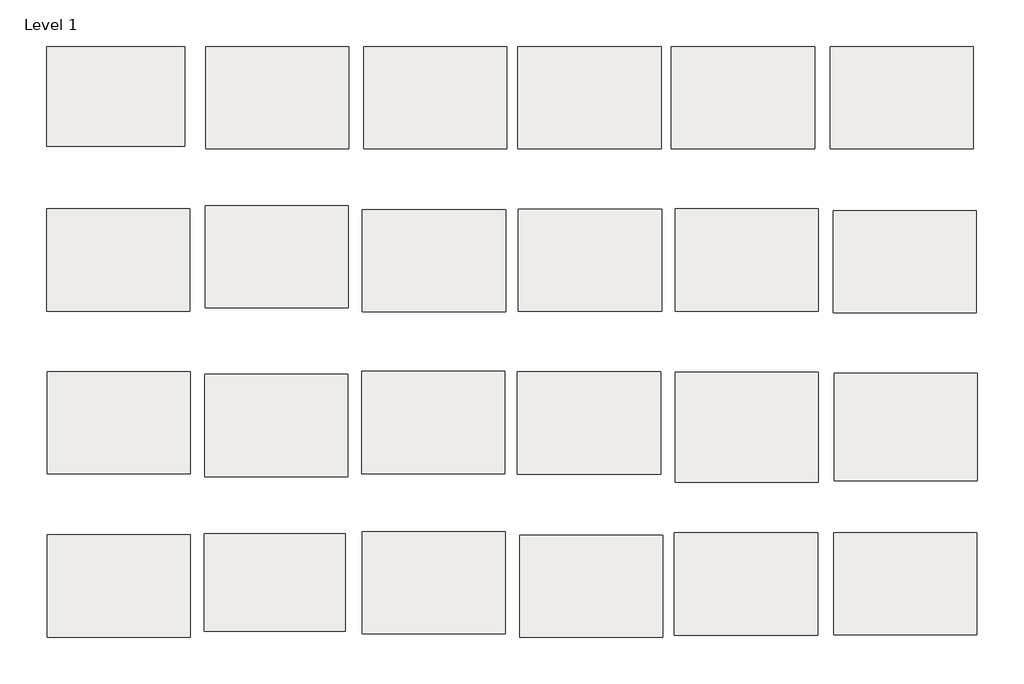
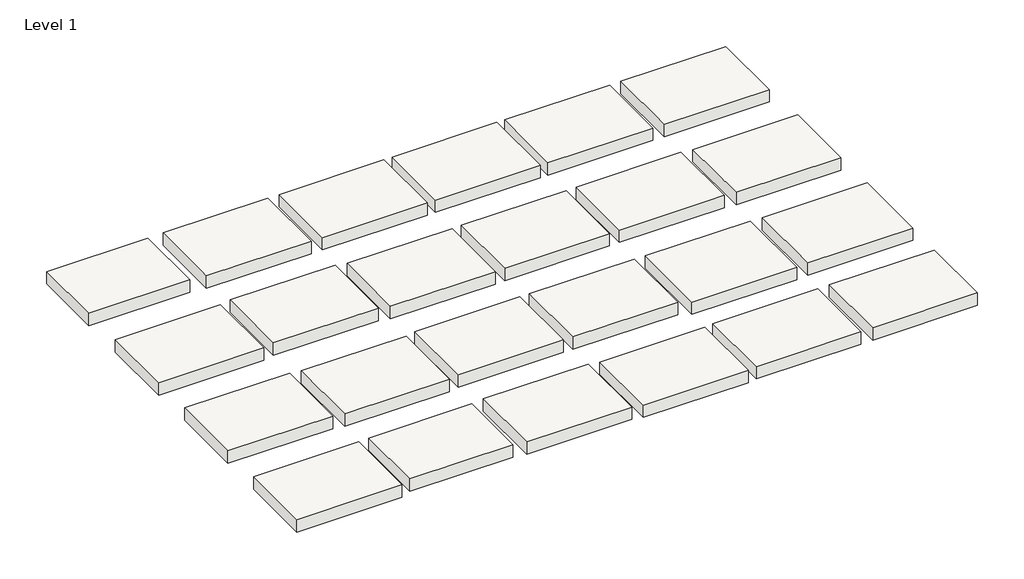
# One storey: 24 slabs.
"""IFC4 building model written with IfcOpenShell, lengths in millimetres."""

from ifc_helpers import new_model, si_unit, frame, origin, place, context, project, spatial, polyline, outline, extrude, element, save

model = new_model("IFC4")

# Units and contexts
model_context = context("Model", 3, world=origin())
ifc_project = project(units=[si_unit("LENGTHUNIT", "METRE", prefix="MILLI")], contexts=[model_context])

# Site, building, storey
site = spatial("IfcSite", under=ifc_project)
building = spatial("IfcBuilding", under=site)
storey = spatial("IfcBuildingStorey", under=building, Name="Level 1", Elevation=0.0)

# Slabs
placement = place(None, origin())
element("IfcSlab", 1, at=placement, inside=storey, context=model_context, shape_type="SweptSolid", body=[
    extrude(outline(polyline([(33544.8344165, 2259.6521044), (33544.8344165, 2005.6521044), (33189.2344165, 2005.6521044), (33189.2344165, 2259.6521044), (33544.8344165, 2259.6521044)])), frame((0.0, 0.0, -44.45), z_axis=(0.0, 0.0, 1.0), x_axis=(1.0, 0.0, 0.0)), (0.0, 0.0, 1.0), 44.45),
])
element("IfcSlab", 2, at=placement, inside=storey, context=model_context, shape_type="SweptSolid", body=[
    extrude(outline(polyline([(33937.752939, 2259.6521044), (33937.752939, 2005.6521044), (33582.152939, 2005.6521044), (33582.152939, 2259.6521044), (33937.752939, 2259.6521044)])), frame((0.0, 0.0, -44.45), z_axis=(0.0, 0.0, 1.0), x_axis=(1.0, 0.0, 0.0)), (0.0, 0.0, 1.0), 44.45),
])
element("IfcSlab", 3, at=placement, inside=storey, context=model_context, shape_type="SweptSolid", body=[
    extrude(outline(polyline([(34320.9601738, 2259.6521044), (34320.9601738, 2005.6521044), (33965.3601738, 2005.6521044), (33965.3601738, 2259.6521044), (34320.9601738, 2259.6521044)])), frame((0.0, 0.0, -44.45), z_axis=(0.0, 0.0, 1.0), x_axis=(1.0, 0.0, 0.0)), (0.0, 0.0, 1.0), 44.45),
])
element("IfcSlab", 4, at=placement, inside=storey, context=model_context, shape_type="SweptSolid", body=[
    extrude(outline(polyline([(33543.0410098, 1445.4001185), (33543.0410098, 1191.4001185), (33187.4410098, 1191.4001185), (33187.4410098, 1445.4001185), (33543.0410098, 1445.4001185)])), frame((0.0, 0.0, -44.45), z_axis=(0.0, 0.0, 1.0), x_axis=(1.0, 0.0, 0.0)), (0.0, 0.0, 1.0), 44.45),
])
element("IfcSlab", 5, at=placement, inside=storey, context=model_context, shape_type="SweptSolid", body=[
    extrude(outline(polyline([(33150.674326, 1856.3573037), (33150.674326, 1602.3573037), (32795.074326, 1602.3573037), (32795.074326, 1856.3573037), (33150.674326, 1856.3573037)])), frame((0.0, 0.0, -44.45), z_axis=(0.0, 0.0, 1.0), x_axis=(1.0, 0.0, 0.0)), (0.0, 0.0, 1.0), 44.45),
])
element("IfcSlab", 6, at=placement, inside=storey, context=model_context, shape_type="SweptSolid", body=[
    extrude(outline(polyline([(33934.7037753, 1854.589131), (33934.7037753, 1600.589131), (33579.1037753, 1600.589131), (33579.1037753, 1854.589131), (33934.7037753, 1854.589131)])), frame((0.0, 0.0, -44.45), z_axis=(0.0, 0.0, 1.0), x_axis=(1.0, 0.0, 0.0)), (0.0, 0.0, 1.0), 44.45),
])
element("IfcSlab", 7, at=placement, inside=storey, context=model_context, shape_type="SweptSolid", body=[
    extrude(outline(polyline([(34711.8748135, 1856.5951536), (34711.8748135, 1602.5951536), (34356.2748135, 1602.5951536), (34356.2748135, 1856.5951536), (34711.8748135, 1856.5951536)])), frame((0.0, 0.0, -44.45), z_axis=(0.0, 0.0, 1.0), x_axis=(1.0, 0.0, 0.0)), (0.0, 0.0, 1.0), 44.45),
])
element("IfcSlab", 8, at=placement, inside=storey, context=model_context, shape_type="SweptSolid", body=[
    extrude(outline(polyline([(33535.97862, 1048.7595451), (33535.97862, 807.4595451), (33186.72862, 807.4595451), (33186.72862, 1048.7595451), (33535.97862, 1048.7595451)])), frame((0.0, 0.0, -44.45), z_axis=(0.0, 0.0, 1.0), x_axis=(1.0, 0.0, 0.0)), (0.0, 0.0, 1.0), 44.45),
])
element("IfcSlab", 9, at=placement, inside=storey, context=model_context, shape_type="SweptSolid", body=[
    extrude(outline(polyline([(33934.4575872, 1054.50268), (33934.4575872, 800.50268), (33578.8575872, 800.50268), (33578.8575872, 1054.50268), (33934.4575872, 1054.50268)])), frame((0.0, 0.0, -44.45), z_axis=(0.0, 0.0, 1.0), x_axis=(1.0, 0.0, 0.0)), (0.0, 0.0, 1.0), 44.45),
])
element("IfcSlab", 10, at=placement, inside=storey, context=model_context, shape_type="SweptSolid", body=[
    extrude(outline(polyline([(34324.9740874, 1046.0871264), (34324.9740874, 792.0871264), (33969.3740874, 792.0871264), (33969.3740874, 1046.0871264), (34324.9740874, 1046.0871264)])), frame((0.0, 0.0, -44.45), z_axis=(0.0, 0.0, 1.0), x_axis=(1.0, 0.0, 0.0)), (0.0, 0.0, 1.0), 44.45),
])
element("IfcSlab", 11, at=placement, inside=storey, context=model_context, shape_type="SweptSolid", body=[
    extrude(outline(polyline([(34710.0054036, 1051.0869227), (34710.0054036, 797.0869227), (34354.4054036, 797.0869227), (34354.4054036, 1051.0869227), (34710.0054036, 1051.0869227)])), frame((0.0, 0.0, -44.45), z_axis=(0.0, 0.0, 1.0), x_axis=(1.0, 0.0, 0.0)), (0.0, 0.0, 1.0), 44.45),
])
element("IfcSlab", 12, at=placement, inside=storey, context=model_context, shape_type="SweptSolid", body=[
    extrude(outline(polyline([(35105.6290198, 1052.2786758), (35105.6290198, 798.2786758), (34750.0290198, 798.2786758), (34750.0290198, 1052.2786758), (35105.6290198, 1052.2786758)])), frame((0.0, 0.0, -44.45), z_axis=(0.0, 0.0, 1.0), x_axis=(1.0, 0.0, 0.0)), (0.0, 0.0, 1.0), 44.45),
])
element("IfcSlab", 13, at=placement, inside=storey, context=model_context, shape_type="SweptSolid", body=[
    extrude(outline(polyline([(33137.1987201, 2259.6521044), (33137.1987201, 2012.0021044), (32794.2987201, 2012.0021044), (32794.2987201, 2259.6521044), (33137.1987201, 2259.6521044)])), frame((0.0, 0.0, -44.45), z_axis=(0.0, 0.0, 1.0), x_axis=(1.0, 0.0, 0.0)), (0.0, 0.0, 1.0), 44.45),
])
element("IfcSlab", 14, ObjectType="Edgewood - Base Grid GB 700 - 1.75 Thick HD Carpet Charcoal", at=placement, inside=storey, context=model_context, shape_type="SweptSolid", body=[
    extrude(outline(polyline([(33543.9690402, 1864.1935184), (33543.9690402, 1610.1935184), (33188.3690402, 1610.1935184), (33188.3690402, 1864.1935184), (33543.9690402, 1864.1935184)])), frame((0.0, 0.0, -44.45), z_axis=(0.0, 0.0, 1.0), x_axis=(1.0, 0.0, 0.0)), (0.0, 0.0, 1.0), 44.45),
])
element("IfcSlab", 15, ObjectType="Edgewood - Base Grid GB 700 - 1.75 Thick HD Carpet Denim", at=placement, inside=storey, context=model_context, shape_type="SweptSolid", body=[
    extrude(outline(polyline([(34322.2666938, 1855.7548512), (34322.2666938, 1601.7548512), (33966.6666938, 1601.7548512), (33966.6666938, 1855.7548512), (34322.2666938, 1855.7548512)])), frame((0.0, 0.0, -44.45), z_axis=(0.0, 0.0, 1.0), x_axis=(1.0, 0.0, 0.0)), (0.0, 0.0, 1.0), 44.45),
])
element("IfcSlab", 16, ObjectType="Edgewood - Base Grid GB 700 - 1.75 Thick HD Carpet Espresso", at=placement, inside=storey, context=model_context, shape_type="SweptSolid", body=[
    extrude(outline(polyline([(35104.6031525, 1851.9683921), (35104.6031525, 1597.9683921), (34749.0031525, 1597.9683921), (34749.0031525, 1851.9683921), (35104.6031525, 1851.9683921)])), frame((0.0, 0.0, -44.45), z_axis=(0.0, 0.0, 1.0), x_axis=(1.0, 0.0, 0.0)), (0.0, 0.0, 1.0), 44.45),
])
element("IfcSlab", 17, ObjectType="Edgewood - Base Grid GB 700 - 1.75 Thick HD Carpet Java", at=placement, inside=storey, context=model_context, shape_type="SweptSolid", body=[
    extrude(outline(polyline([(33151.6602738, 1452.2945213), (33151.6602738, 1198.2945213), (32796.0602738, 1198.2945213), (32796.0602738, 1452.2945213), (33151.6602738, 1452.2945213)])), frame((0.0, 0.0, -44.45), z_axis=(0.0, 0.0, 1.0), x_axis=(1.0, 0.0, 0.0)), (0.0, 0.0, 1.0), 44.45),
])
element("IfcSlab", 18, ObjectType="Edgewood - Base Grid GB 700 - 1.75 Thick HD Carpet Onyx", at=placement, inside=storey, context=model_context, shape_type="SweptSolid", body=[
    extrude(outline(polyline([(34702.5269566, 2259.6521044), (34702.5269566, 2005.6521044), (34346.9269566, 2005.6521044), (34346.9269566, 2259.6521044), (34702.5269566, 2259.6521044)])), frame((0.0, 0.0, -44.45), z_axis=(0.0, 0.0, 1.0), x_axis=(1.0, 0.0, 0.0)), (0.0, 0.0, 1.0), 44.45),
])
element("IfcSlab", 19, ObjectType="Edgewood - Base Grid GB 700 - 1.75 Thick HD Carpet Shadow", at=placement, inside=storey, context=model_context, shape_type="SweptSolid", body=[
    extrude(outline(polyline([(35096.7098088, 2259.6521044), (35096.7098088, 2005.6521044), (34741.1098088, 2005.6521044), (34741.1098088, 2259.6521044), (35096.7098088, 2259.6521044)])), frame((0.0, 0.0, -44.45), z_axis=(0.0, 0.0, 1.0), x_axis=(1.0, 0.0, 0.0)), (0.0, 0.0, 1.0), 44.45),
])
element("IfcSlab", 20, ObjectType="Edgewood - Base Grid GB 700 - 1.75 Thick HD Carpet Spice", at=placement, inside=storey, context=model_context, shape_type="SweptSolid", body=[
    extrude(outline(polyline([(33932.6757934, 1452.5511895), (33932.6757934, 1198.5511895), (33577.0757934, 1198.5511895), (33577.0757934, 1452.5511895), (33932.6757934, 1452.5511895)])), frame((0.0, 0.0, -44.45), z_axis=(0.0, 0.0, 1.0), x_axis=(1.0, 0.0, 0.0)), (0.0, 0.0, 1.0), 44.45),
])
element("IfcSlab", 21, ObjectType="Edgewood - Base Grid GB 700 - 1.75 Thick HD Carpet Suede", at=placement, inside=storey, context=model_context, shape_type="SweptSolid", body=[
    extrude(outline(polyline([(34319.7526735, 1451.5237915), (34319.7526735, 1197.5237915), (33964.1526735, 1197.5237915), (33964.1526735, 1451.5237915), (34319.7526735, 1451.5237915)])), frame((0.0, 0.0, -44.45), z_axis=(0.0, 0.0, 1.0), x_axis=(1.0, 0.0, 0.0)), (0.0, 0.0, 1.0), 44.45),
])
element("IfcSlab", 22, ObjectType="Edgewood - Base Grid GB 700 - 1.75 Thick Vinyl Black", at=placement, inside=storey, context=model_context, shape_type="SweptSolid", body=[
    extrude(outline(polyline([(34711.9334001, 1450.6792082), (34711.9334001, 1177.6292082), (34356.3334001, 1177.6292082), (34356.3334001, 1450.6792082), (34711.9334001, 1450.6792082)])), frame((0.0, 0.0, -44.45), z_axis=(0.0, 0.0, 1.0), x_axis=(1.0, 0.0, 0.0)), (0.0, 0.0, 1.0), 44.45),
])
element("IfcSlab", 23, ObjectType="Edgewood - Base Grid GB 700 - 1.75 Thick Vinyl Brown", at=placement, inside=storey, context=model_context, shape_type="SweptSolid", body=[
    extrude(outline(polyline([(35107.136094, 1447.8107551), (35107.136094, 1181.1107551), (34751.536094, 1181.1107551), (34751.536094, 1447.8107551), (35107.136094, 1447.8107551)])), frame((0.0, 0.0, -44.45), z_axis=(0.0, 0.0, 1.0), x_axis=(1.0, 0.0, 0.0)), (0.0, 0.0, 1.0), 44.45),
])
element("IfcSlab", 24, ObjectType="Edgewood - Base Grid GB 700 - 1.75 Thick Vinyl Grey", at=placement, inside=storey, context=model_context, shape_type="SweptSolid", body=[
    extrude(outline(polyline([(33151.3279027, 1046.31575), (33151.3279027, 792.31575), (32795.7279027, 792.31575), (32795.7279027, 1046.31575), (33151.3279027, 1046.31575)])), frame((0.0, 0.0, -44.45), z_axis=(0.0, 0.0, 1.0), x_axis=(1.0, 0.0, 0.0)), (0.0, 0.0, 1.0), 44.45),
])

save(model, "model.ifc")
